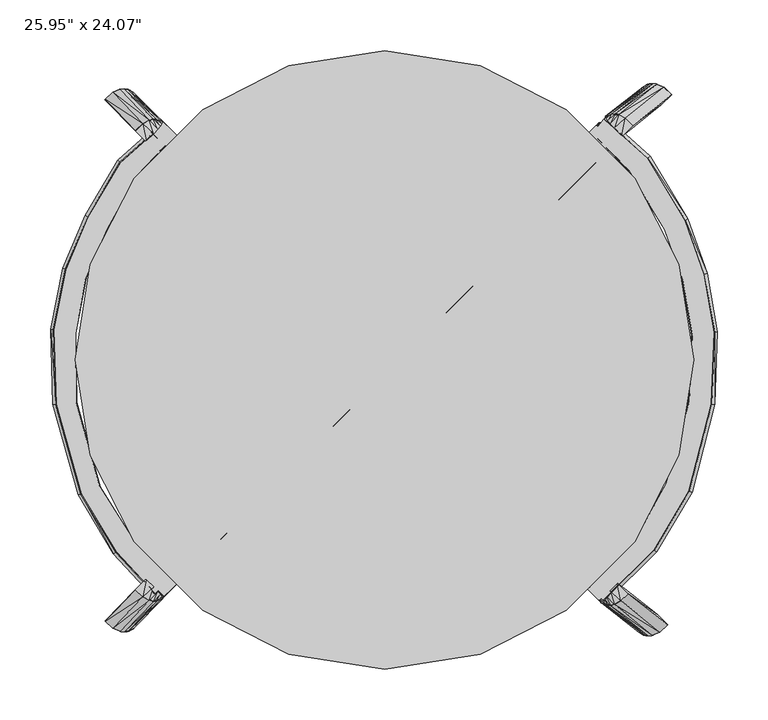
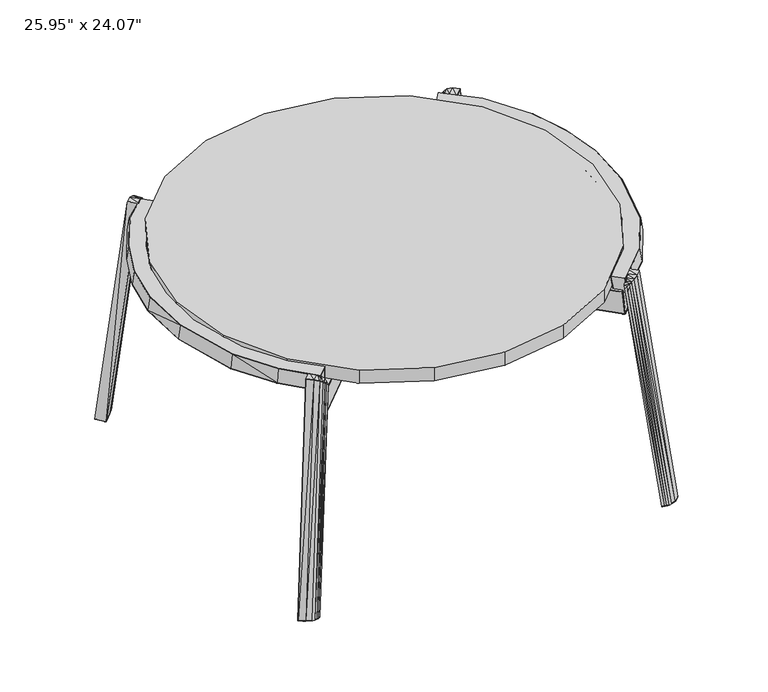
"""IFC4 building model written with IfcOpenShell, lengths in millimetres: furniture geometry."""

from ifc_helpers import new_model, si_unit, origin, place, context, project, spatial, triangles, source, transform, mapped, element, save


def furniture_7b2e3a2e(model_context):
    return source(origin(), model_context, "Body", "Tessellation", [
        triangles([(291.3042031, 94.4699241, 330.1011809), (291.3042031, 94.4699241, 330.7304303), (306.2667709, -6.95e-05, 330.7304303), (306.2667709, -6.95e-05, 330.1011809), (247.881145, 179.6925201, 330.1011809), (247.881145, 179.6925201, 330.7304303), (180.2481003, 247.325583, 330.1011809), (180.2481003, 247.325583, 330.7304303), (95.0255043, 290.7487138, 330.1011809), (95.0255043, 290.7487138, 330.7304303), (0.5555148, 305.7112816, 330.1011809), (0.5555148, 305.7112816, 330.7304303), (-93.9144711, 290.7487501, 330.1011809), (-93.9144711, 290.7487501, 330.7304303), (-179.1370671, 247.3256739, 330.1011809), (-179.1370671, 247.3256739, 330.7304303), (-246.7701482, 179.692611, 330.1011809), (-246.7701482, 179.692611, 330.7304303), (-290.1932971, 94.4699695, 330.1011809), (-290.1932971, 94.4699695, 330.7304303), (-305.1558286, -4.25e-05, 330.1011809), (-305.1558286, -4.25e-05, 330.7304303), (-290.1932608, -94.4700694, 330.1011809), (-290.1932608, -94.4700694, 330.7304303), (-246.7700755, -179.6926655, 330.1011809), (-246.7700755, -179.6927018, 330.7304303), (-179.1369945, -247.3257102, 330.1011809), (-179.1369945, -247.3257102, 330.7304303), (-93.9143257, -290.7487138, 330.1011809), (-93.9143257, -290.7487138, 330.7304303), (0.5556964, -305.7112816, 330.1011809), (0.5556964, -305.7112816, 330.7304303), (95.0257132, -290.7486229, 330.1011809), (95.0257132, -290.7486229, 330.7304303), (180.2483183, -247.325474, 330.1011809), (180.2483183, -247.325474, 330.7304303), (247.8812722, -179.6923203, 330.1011809), (247.8812722, -179.6923203, 330.7304303), (291.304294, -94.4696334, 330.1011809), (291.304294, -94.4696334, 330.7304303), (291.3042031, 94.4699241, 350.3370461), (306.2667709, -6.95e-05, 350.3370461), (306.2667709, -6.95e-05, 349.5231059), (291.3041668, 94.4699241, 349.5231059), (247.881145, 179.6925201, 350.3370461), (247.881145, 179.6925201, 349.5231059), (180.2481003, 247.325583, 350.3370461), (180.2481003, 247.325583, 349.5231059), (95.0255043, 290.7487138, 350.3370461), (95.0255043, 290.7486774, 349.5231059), (0.5555148, 305.7112816, 350.3370461), (0.5555148, 305.7113179, 349.5231059), (-93.9144711, 290.7487501, 350.3370461), (-93.9144711, 290.7487501, 349.5231059), (-179.1370671, 247.3256739, 350.3370461), (-179.1370671, 247.3256739, 349.5231059), (-246.7701482, 179.692611, 350.3370461), (-246.7701482, 179.692611, 349.5231059), (-290.1932971, 94.4699695, 350.3370461), (-290.1932971, 94.4699695, 349.5231059), (-305.1558286, -4.25e-05, 350.3370461), (-305.1558649, -4.25e-05, 349.5231059), (-290.1932608, -94.4700694, 350.3370461), (-290.1932608, -94.4700694, 349.5231059), (-246.7700755, -179.6926655, 350.3370461), (-246.7700755, -179.6926655, 349.5231059), (-179.1369945, -247.3257102, 350.3370461), (-179.1369945, -247.3257102, 349.5231059), (-93.9143257, -290.7487138, 350.3370461), (-93.9143257, -290.7487138, 349.5231059), (0.5556964, -305.7112816, 350.3370461), (0.5556964, -305.7112816, 349.5231059), (95.0257132, -290.7486229, 350.3370461), (95.0257132, -290.7486229, 349.5231059), (180.2483183, -247.325474, 350.3370461), (180.2483183, -247.325474, 349.5231059), (247.8812722, -179.6923203, 350.3370461), (247.8812722, -179.6923203, 349.5231059), (291.304294, -94.4696334, 350.3370461), (291.304294, -94.4696334, 349.5231059), (0.5555674, 1.11e-05, 350.3370461), (0.5462188, -0.006782, 330.1011809)], [[1, 2, 3], [3, 4, 1], [5, 6, 2], [2, 1, 5], [7, 8, 6], [6, 5, 7], [9, 10, 8], [8, 7, 9], [11, 12, 10], [10, 9, 11], [13, 14, 12], [12, 11, 13], [15, 16, 14], [14, 13, 15], [17, 18, 16], [16, 15, 17], [19, 20, 18], [18, 17, 19], [21, 22, 20], [20, 19, 21], [23, 24, 22], [22, 21, 23], [25, 26, 24], [24, 23, 25], [27, 28, 26], [26, 25, 27], [29, 30, 28], [28, 27, 29], [31, 32, 30], [30, 29, 31], [33, 34, 32], [32, 31, 33], [35, 36, 34], [34, 33, 35], [37, 38, 36], [36, 35, 37], [39, 40, 38], [38, 37, 39], [4, 3, 40], [40, 39, 4], [41, 42, 43], [43, 44, 41], [45, 41, 44], [44, 46, 45], [47, 45, 46], [46, 48, 47], [49, 47, 48], [48, 50, 49], [51, 49, 50], [50, 52, 51], [53, 51, 52], [52, 54, 53], [55, 53, 54], [54, 56, 55], [57, 55, 56], [56, 58, 57], [59, 57, 58], [58, 60, 59], [61, 59, 60], [60, 62, 61], [63, 61, 62], [62, 64, 63], [65, 63, 64], [64, 66, 65], [67, 65, 66], [66, 68, 67], [69, 67, 68], [68, 70, 69], [71, 69, 70], [70, 72, 71], [73, 71, 72], [72, 74, 73], [75, 73, 74], [74, 76, 75], [77, 75, 76], [76, 78, 77], [79, 77, 78], [78, 80, 79], [42, 79, 80], [80, 43, 42], [44, 43, 3], [3, 2, 44], [46, 44, 2], [2, 6, 46], [48, 46, 6], [6, 8, 48], [50, 48, 8], [8, 10, 50], [52, 50, 10], [10, 12, 52], [54, 52, 12], [12, 14, 54], [56, 54, 14], [14, 16, 56], [58, 56, 16], [16, 18, 58], [60, 58, 18], [18, 20, 60], [62, 60, 20], [20, 22, 62], [64, 62, 22], [22, 24, 64], [66, 64, 24], [24, 26, 66], [68, 66, 26], [26, 28, 68], [70, 68, 28], [28, 30, 70], [72, 70, 30], [30, 32, 72], [74, 72, 32], [32, 34, 74], [76, 74, 34], [34, 36, 76], [78, 76, 36], [36, 38, 78], [80, 78, 38], [38, 40, 80], [43, 80, 40], [40, 3, 43], [42, 41, 81], [41, 45, 81], [45, 47, 81], [47, 49, 81], [49, 51, 81], [51, 53, 81], [53, 55, 81], [55, 57, 81], [57, 59, 81], [59, 61, 81], [61, 63, 81], [63, 65, 81], [65, 67, 81], [67, 69, 81], [69, 71, 81], [71, 73, 81], [73, 75, 81], [75, 77, 81], [77, 79, 81], [79, 42, 81], [1, 4, 82], [5, 1, 82], [7, 5, 82], [9, 7, 82], [11, 9, 82], [13, 11, 82], [15, 13, 82], [17, 15, 82], [19, 17, 82], [21, 19, 82], [23, 21, 82], [25, 23, 82], [27, 25, 82], [29, 27, 82], [31, 29, 82], [33, 31, 82], [35, 33, 82], [37, 35, 82], [39, 37, 82], [4, 39, 82]]),
        triangles([(-265.3247387, -247.72614, 0.3430635), (-264.8726769, -248.1750588, 0.3776246), (-275.2968953, -258.2890672, 1.774811), (-275.768251, -257.8379864, 1.7467042), (-268.0666499, -265.2074312, 2.2056736), (-257.9390704, -255.0604307, 0.9075777), (-253.3031433, -259.6675077, 1.2619172), (-260.811951, -268.164064, 2.4005436), (-250.8405393, -261.8978949, 1.4501497), (-256.7489177, -268.6318225, 2.2790832), (-248.5030366, -264.2812705, 1.6287997), (-253.4677408, -268.3594554, 2.1846317), (-247.405193, -265.4645376, 1.7127231), (-251.1180296, -267.4656146, 2.0432589), (-275.7516822, -257.7649894, 2.4758609), (-265.3083153, -247.6526161, 1.0768435), (-275.2803811, -258.2160157, 2.5039677), (-264.8562172, -248.1015713, 1.1114046), (-257.9219384, -254.9878334, 1.641495), (-253.2867199, -259.5946561, 1.9898377), (-260.7979438, -268.0917028, 3.1265417), (-268.0509168, -265.1338529, 2.9351962), (-250.8240068, -261.8266056, 2.1712496), (-256.7343656, -268.5602607, 3.0003364), (-248.4876306, -264.210072, 2.3411867), (-253.4531887, -268.2882025, 2.9007419), (-247.3893691, -265.3952468, 2.415955), (-251.1013155, -267.394725, 2.7532201), (-234.7977685, -217.201041, 347.6440418), (-245.2112862, -227.5018294, 347.8890487), (-238.2965375, -234.2005302, 347.9334864), (-227.5415435, -224.4486364, 347.6781604), (-231.8663341, -237.6803324, 346.1513277), (-223.4074209, -228.9526674, 345.1838722), (-227.7484895, -238.4638965, 343.7152845), (-221.0787476, -231.8536531, 342.3046875), (-224.6587798, -238.3277311, 341.2100959), (-219.5022813, -234.270893, 338.6908456), (-221.6128175, -237.614021, 338.2392743), (-218.5327548, -236.2362526, 334.8251658), (-245.6621308, -227.065101, 347.8861055), (-235.2708864, -216.7284863, 347.6418254), (-235.3318202, -216.7904556, 347.0260563), (-245.7228829, -227.1266161, 347.2742243), (-245.272002, -227.563399, 347.2770947), (-238.3566356, -234.2625177, 347.3212418), (-234.8587749, -217.2629921, 347.0282364), (-227.6031313, -224.5098245, 347.0623549), (-223.4679368, -229.0140554, 344.5730447), (-231.9247607, -237.7412843, 345.5420262), (-221.1390092, -231.9137876, 341.6995646), (-227.8070978, -238.5242489, 343.1099799), (-219.5609987, -234.3309002, 338.0929896), (-224.7170248, -238.387811, 340.6090061), (-218.5912359, -236.2947701, 334.2350856), (-221.6724977, -237.6736831, 337.6435258), (-275.5113808, 257.5063751, 1.7496807), (-265.0872169, 247.3923486, 0.3525034), (-265.5392605, 246.9435024, 0.3179418), (-275.9828273, 257.055258, 1.7215844), (-268.2811898, 264.4247028, 2.1805777), (-261.0264728, 267.3812448, 2.3754425), (-253.5176288, 258.8847249, 1.2368184), (-258.153683, 254.2776841, 0.8824583), (-256.963494, 267.8489669, 2.2539752), (-251.0551882, 261.1150756, 1.4250196), (-253.6822626, 267.5766907, 2.1595144), (-248.7175402, 263.4984331, 1.6036994), (-251.3326059, 266.6828862, 2.0181415), (-247.6197511, 264.6817911, 1.6876066), (-265.5228734, 246.8698332, 1.0517285), (-275.9662585, 256.9823337, 2.4507455), (-275.4949028, 257.4331783, 2.4788696), (-258.1364602, 254.2050505, 1.6164016), (-265.0707026, 247.3188066, 1.0862762), (-253.5012962, 258.811855, 1.9647349), (-268.2654568, 264.3511063, 2.9100919), (-261.0125565, 267.3090471, 3.10142), (-251.0385468, 261.0437864, 2.1461169), (-256.9488873, 267.7774052, 2.9752133), (-248.7021887, 263.4273255, 2.3160958), (-253.6677649, 267.5055831, 2.8756316), (-247.6039091, 264.6124276, 2.3908498), (-251.3158918, 266.6120148, 2.7281192), (-238.5120767, 233.4176202, 347.933559), (-245.4268254, 226.7190102, 347.8890487), (-235.013344, 216.4182218, 347.6440418), (-227.757119, 223.6658172, 347.6781967), (-223.6229055, 228.1697755, 345.1838722), (-232.0818732, 236.8974223, 346.151364), (-221.2942868, 231.0707976, 342.3047238), (-227.964065, 237.6810772, 343.7153209), (-219.7178205, 233.4880011, 338.6908456), (-224.8742645, 237.5449119, 341.2100232), (-218.7482758, 235.4534153, 334.8252022), (-221.8283385, 236.8311655, 338.239347), (-235.5473412, 216.0076909, 347.02602), (-235.4863893, 215.9456489, 347.6417891), (-245.8775973, 226.2821364, 347.8861055), (-245.9384402, 226.3437969, 347.274297), (-245.4875412, 226.7805253, 347.2770947), (-238.5721566, 233.4796985, 347.3213144), (-235.0743141, 216.4801184, 347.0282727), (-227.8186705, 223.7270416, 347.0623913), (-223.6834396, 228.2312362, 344.5730083), (-232.1402817, 236.9584288, 345.5420262), (-221.3545847, 231.1309502, 341.6995646), (-228.0226552, 237.7413933, 343.1099799), (-219.7765197, 233.5480628, 338.0929896), (-224.9325276, 237.6049554, 340.6090061), (-218.8068114, 235.5118783, 334.2350856), (-221.8880732, 236.8908638, 337.6435985), (279.8558104, -262.2208221, 1.701401), (269.4705794, -252.1067592, 0.0398408), (269.9235133, -251.6578949, 0.0167848), (280.3278019, -261.7697777, 1.6852877), (272.6170444, -269.139168, 1.9484713), (265.3597838, -272.0958371, 1.9589541), (257.8822969, -263.5992445, 0.6299134), (262.5257453, -258.9920766, 0.3934785), (261.301129, -272.5636137, 1.7342836), (255.4158232, -265.8296498, 0.7555086), (258.0233494, -272.2911558, 1.5565035), (253.0745054, -268.213098, 0.8747255), (255.6780892, -271.397315, 1.3554994), (251.9749177, -269.3963107, 0.9307253), (269.8882138, -251.5843165, 0.7499085), (280.292775, -261.6967807, 2.4138033), (279.8208561, -262.1478069, 2.4299318), (262.489919, -258.9195883, 1.1267244), (269.4354617, -252.0332354, 0.7729799), (257.8473427, -263.5263202, 1.3572238), (272.582944, -269.0655533, 2.6773228), (265.3273004, -272.0235304, 2.6843417), (255.3809053, -265.7583424, 1.4759675), (261.2682821, -272.4920883, 2.4549411), (253.0409318, -268.1417725, 1.5865023), (257.9906661, -272.2199574, 2.2720186), (251.9410898, -269.3269472, 1.6333467), (255.6433711, -271.3265345, 2.0648195), (234.2104679, -238.1321943, 347.933559), (241.1251439, -231.4335843, 347.8890487), (230.711717, -221.1327777, 347.6440782), (223.4554376, -228.3803913, 347.6781967), (219.3213149, -232.8843678, 345.1839449), (227.7801918, -241.6119783, 346.151364), (216.9926598, -235.7854081, 342.3047238), (223.6624925, -242.3955969, 343.7153572), (215.4162117, -238.202557, 338.6909183), (220.5726557, -242.2593952, 341.2100959), (214.4466306, -240.1680257, 334.8252022), (217.5267115, -241.5457214, 338.239347), (231.2457142, -220.722156, 347.0260926), (231.1847078, -220.6602775, 347.6418254), (241.5760793, -230.9967105, 347.8861055), (241.6367224, -231.0582802, 347.2743333), (241.1858778, -231.4950631, 347.2771311), (234.2705659, -238.1942182, 347.3213144), (230.7726508, -221.1946744, 347.0282727), (223.5171344, -228.4416158, 347.0623913), (219.3819217, -232.9458103, 344.5730447), (227.8386911, -241.6730029, 345.5420262), (217.0529396, -235.8455243, 341.6995646), (223.7210282, -242.4560401, 343.1099799), (215.4749654, -238.2626369, 338.093026), (220.6308643, -242.3195114, 340.6090788), (214.5051118, -240.2264706, 334.2351219), (217.5863917, -241.605438, 337.6436348), (274.099403, 252.1264891, 0.0), (273.6465418, 252.5754624, 0.0230562), (284.0318999, 262.6893436, 1.6846316), (284.5039641, 262.2382992, 1.6685335), (276.7930068, 269.6078167, 1.931717), (266.7019439, 259.4607253, 0.3766938), (262.0584047, 264.0678932, 0.613144), (269.5356917, 272.5643586, 1.9422), (259.5917311, 266.2982258, 0.7387545), (265.4770914, 273.0322443, 1.7175447), (257.2505404, 268.6815469, 0.8579866), (262.1993663, 272.7597864, 1.5397492), (256.1508074, 269.8647596, 0.913971), (259.8540516, 271.8658729, 1.33873), (284.4687919, 262.1653022, 2.3970188), (274.0642489, 252.0530016, 0.7331545), (283.9970002, 262.616492, 2.413147), (273.6112424, 252.5019567, 0.7562105), (266.6659359, 259.3882007, 1.109955), (262.0234868, 263.9950234, 1.340439), (269.5033536, 272.4921973, 2.6675876), (276.7588155, 269.534202, 2.6605687), (259.556795, 266.2270638, 1.4592133), (265.4442445, 272.9607189, 2.438202), (257.2169669, 268.6103848, 1.5697635), (262.1669191, 272.6885153, 2.2552647), (256.1169796, 269.7955596, 1.6165926), (259.8192608, 271.7951832, 2.0480654), (234.8880791, 221.6013175, 347.6440055), (245.3015423, 231.9020695, 347.8890123), (238.3869571, 238.6007522, 347.9334864), (227.6318542, 228.8490037, 347.6781604), (231.9566083, 242.0805543, 346.151364), (223.497786, 233.3529076, 345.1838359), (227.8388183, 242.8642274, 343.7153209), (221.1690582, 236.2539841, 342.3045785), (224.7491268, 242.7279531, 341.2100232), (219.5925738, 238.6712239, 338.6908092), (221.7031463, 242.014243, 338.2393106), (218.623029, 240.6365654, 334.8251295), (245.7524777, 231.4654138, 347.8861055), (235.361197, 221.1287809, 347.6417527), (235.42204, 221.1908774, 347.02602), (245.8130482, 231.5269289, 347.2741879), (245.3622763, 231.9637118, 347.2771311), (238.4468917, 238.662885, 347.3212781), (234.9491764, 221.6633049, 347.0282364), (227.6935328, 228.9100646, 347.0622459), (223.5583019, 233.4144045, 344.5730447), (232.015144, 242.1416516, 345.5419536), (221.2294106, 236.3140459, 341.6994555), (227.8973721, 242.9245799, 343.1099799), (219.6513638, 238.7312493, 338.0929896), (224.8073899, 242.7880693, 340.6090061), (218.6816192, 240.6949921, 334.2350129), (221.7628083, 242.0740867, 337.6434895), (-238.734574, 219.5836172, 294.2369638), (-238.0697345, 220.2533256, 294.2369638), (215.8110096, -239.4114585, 294.2369275), (215.1373225, -240.0989711, 294.236982), (213.0436821, -237.0765357, 329.3368017), (-235.7682761, 217.6963233, 329.3366927), (-236.436622, 217.0194569, 329.3366927), (212.3699224, -237.764139, 329.3368017), (216.0593047, -239.9977236, 295.2504375), (216.6951671, -239.3487807, 295.2504375), (216.5528429, -239.228748, 296.5199095), (215.9169442, -239.8777092, 296.5199095), (-220.6319362, 237.8196044, 294.2369275), (-220.4977693, 237.6868545, 295.6199281), (233.327037, -221.2470695, 295.6200916), (233.4820785, -221.3778573, 294.2369275), (-222.8807815, 236.3989789, 295.2524178), (-222.7581691, 236.2764391, 296.5216899), (-221.4480383, 237.5964349, 296.5216899), (-221.5711231, 237.7181208, 295.2524178), (214.9823537, -239.9682196, 295.6200916), (-238.6058209, 219.4399123, 295.6200007), (233.3741272, -222.3276721, 295.2504375), (232.0459561, -223.6832216, 295.2504375), (232.0748787, -222.8140705, 294.2369275), (213.5190528, -237.8546495, 328.3233461), (214.1549515, -237.2057065, 328.3233461), (233.231912, -222.2076213, 296.5199095), (212.5146628, -237.8862609, 328.0456378), (213.651839, -237.9667611, 327.1380624), (-238.6436093, 220.5224407, 295.2529447), (-238.0166127, 221.1539065, 295.2529265), (-219.3749635, 235.5452338, 328.3212024), (-220.6911804, 234.2121393, 328.3212024), (-219.6332326, 234.0356784, 329.3366564), (-218.2370424, 235.4496001, 329.3366564), (-238.5253571, 220.3904175, 296.5221986), (230.8338753, -220.1846161, 328.3233461), (229.505577, -221.5401657, 328.3233461), (229.6384359, -221.6521864, 327.1380624), (230.9666797, -220.2966733, 327.1380624), (230.7148237, -219.0428435, 329.3367654), (230.8595459, -219.1650199, 328.0455651), (-218.3623073, 235.5735387, 328.0455651), (-236.6431682, 218.2905457, 327.1358096), (-236.5328007, 218.1674428, 328.32073), (-235.9026429, 218.8055579, 328.3206937), (-236.0132285, 218.9283883, 327.1358459), (-236.5568544, 217.1534966, 328.0455651), (-219.4897821, 235.6588715, 327.1362456), (-222.0206778, 236.4206164, 294.2369275), (229.3074968, -220.4790022, 329.3367654), (231.9036683, -223.5632435, 296.5199095), (-237.8982333, 221.0223557, 296.5221622), (214.287665, -237.3177818, 327.1380624), (-220.8056901, 234.3265037, 327.136173), (212.5933644, 234.308645, 294.236982), (213.2630546, 233.6439327, 294.236982), (-237.4625404, -218.6261539, 294.2368911), (-238.150053, -217.9524486, 294.2368911), (-235.1276721, -215.8588991, 329.3366564), (210.7060159, 231.3423653, 329.3366927), (210.029095, 232.0108202, 329.3366927), (-235.8152573, -215.1851575, 329.3366564), (-238.0488419, -218.8744308, 295.250383), (-237.3999534, -219.5103659, 295.250383), (-237.2798481, -219.3680235, 296.5198368), (-237.928791, -218.7321249, 296.5198368), (230.8293879, 216.2060799, 294.2369638), (230.6966017, 216.0719493, 295.6199281), (-219.2981877, -236.1421813, 295.6199099), (-219.4289573, -236.2972409, 294.2368911), (229.4086716, 218.4549979, 295.252436), (229.2862045, 218.3323128, 296.5217262), (230.6061275, 217.0222183, 296.5217262), (230.7278498, 217.1452849, 295.252436), (-238.0192652, -217.7974072, 295.6199099), (212.4496777, 234.1800191, 295.6199281), (-220.378754, -236.1893442, 295.2503649), (-221.7343035, -234.8610641, 295.2503649), (-220.8651342, -234.8899322, 294.2368911), (-235.9057677, -216.3342153, 328.3232371), (-235.2568429, -216.9701321, 328.3232371), (-220.2587395, -236.0470382, 296.5198368), (-235.9373247, -215.3298616, 328.0455288), (-236.0178248, -216.4670378, 327.138026), (213.5321152, 234.217753, 295.2529265), (214.1636537, 233.5907019, 295.2529265), (228.5549809, 214.9490527, 328.3212024), (227.2218683, 216.2653605, 328.321166), (227.0454437, 215.2072855, 329.3366927), (228.4592746, 213.8112406, 329.3366927), (213.4001829, 234.0996461, 296.5221622), (-218.2357162, -233.6491467, 328.3232371), (-219.5912294, -232.3208303, 328.3232371), (-219.7032865, -232.4536529, 327.138026), (-218.3477551, -233.7819511, 327.138026), (-217.0939981, -233.5300588, 329.3366564), (-217.2161018, -233.6747811, 328.0455288), (228.5832314, 213.9364328, 328.0454925), (211.3002747, 232.2172756, 327.1358096), (211.1770446, 232.1069444, 328.3206937), (211.8152142, 231.4768229, 328.3206937), (211.9380991, 231.5874267, 327.1358096), (210.1632802, 232.1310163, 328.0454925), (228.6685278, 215.0639076, 327.1362093), (229.4303817, 217.5947851, 294.2369638), (-218.530175, -232.1227319, 329.3366564), (-221.6142527, -234.7187581, 296.5198368), (214.032121, 233.4723952, 296.5221622), (-235.3688637, -217.1029547, 327.138026), (227.3362508, 216.3798338, 327.136173), (219.8919559, 239.8243149, 326.5360642), (209.3325896, 225.8460438, 326.5359552), (208.8857237, 226.3066988, 326.5359552), (219.3451143, 240.316436, 326.5360642), (217.6238168, 237.3555157, 348.1465911), (206.9737583, 223.7378513, 348.1465548), (241.6962755, 187.2588824, 348.1465548), (260.2448708, 199.0464623, 348.1465911), (208.9377736, 225.4667792, 327.4008734), (206.7635967, 223.5316139, 347.2817093), (206.3215815, 223.9956481, 347.2815276), (208.4914527, 225.9270709, 327.4010187), (217.6024881, 238.4992322, 347.4178202), (218.1475312, 238.0090187, 347.4178202), (220.1071863, 240.0315878, 327.4038892), (219.5600358, 240.5241632, 327.4038892), (262.8282523, 201.1789448, 326.5360642), (299.9848143, 139.3824806, 326.5359916), (280.7603155, 130.7163853, 326.5359552), (244.4212363, 189.6770669, 326.5359916), (277.6567077, 128.8081079, 348.1465548), (297.0817393, 137.7054754, 348.1465548), (243.9796572, 189.3253442, 327.3883378), (280.2644155, 130.4466979, 327.3883741), (277.4066321, 128.6872668, 347.2941359), (241.4709985, 187.096465, 347.2941359), (260.9434473, 199.5084799, 347.4178202), (297.838688, 138.0646832, 347.4177838), (300.253566, 139.5139951, 327.4038528), (263.0699527, 201.3549879, 327.4038892), (319.1112267, 85.4171609, 326.5359916), (307.312819, 83.7065912, 326.5359916), (295.2339051, 78.7946091, 348.1465911), (315.961528, 84.2673491, 348.1465548), (298.0864381, 79.955403, 327.3884831), (294.9666976, 78.7190505, 347.2941359), (316.7688189, 84.4919266, 347.4177838), (319.3987092, 85.4998048, 327.4038528), (329.262206, 27.8069237, 326.5360279), (308.1403848, 25.7947827, 326.5360279), (304.5714529, 25.0630936, 348.1465911), (325.961717, 27.2094515, 348.1465911), (307.582243, 25.7109511, 327.3884831), (304.2950345, 25.0350498, 347.2941359), (326.7946604, 27.3024691, 347.4178202), (329.5597532, 27.8384193, 327.4039618), (326.5516156, -43.9580318, 326.5360642), (305.32693, -41.3364894, 326.5359916), (301.6851465, -41.437319, 348.1466274), (323.200621, -43.9428892, 348.1466274), (304.762684, -41.3220871, 327.3884468), (301.408074, -41.4169169, 347.2941359), (324.0341457, -44.0262962, 347.4178565), (326.8502166, -43.978661, 327.4039618), (304.1960034, -130.5876777, 326.5359552), (282.6221568, -123.4584344, 326.5359552), (279.0783324, -122.6132916, 348.1465184), (300.9472737, -129.7489662, 348.1465184), (282.0808926, -123.2985514, 327.3884468), (278.8159937, -122.5219636, 347.2940995), (301.74648, -130.0020939, 347.4177838), (304.4789077, -130.6847012, 327.4038892), (269.3021849, -189.3176775, 326.5360279), (252.935851, -176.4413196, 326.5359916), (249.7314682, -174.7078498, 348.1465548), (266.4159149, -187.6178721, 348.1465548), (252.4545578, -176.1466792, 327.3884468), (249.5018128, -174.5515912, 347.2941359), (267.0876035, -188.1180051, 347.4177838), (269.5503892, -189.4847095, 327.4038892), (219.7098813, -239.0294869, 326.5361006), (206.4256086, -226.4566534, 326.5360279), (203.7711921, -223.9640548, 348.1465911), (217.267316, -236.7286281, 348.1465911), (206.035607, -226.0491019, 327.3884831), (203.5889176, -223.7545654, 347.2941359), (217.8757999, -237.3053916, 347.4178928), (219.9072348, -239.2541825, 327.4039618), (-218.7585041, 214.0311218, 326.5361006), (-219.4081919, 213.3678266, 326.5360642), (-231.5022574, 225.1181086, 326.5361369), (-230.7655292, 225.7788059, 326.5361369), (-244.4241431, 182.6330928, 348.1466638), (-217.0455817, 211.2563457, 348.1466638), (-229.1511292, 222.7243957, 348.1466638), (-260.4068521, 194.7285573, 348.1466638), (-216.1943255, 211.7199802, 347.2816003), (-216.8352203, 211.0505625, 347.281891), (-219.0129398, 212.9888708, 327.400837), (-218.3642512, 213.6514575, 327.4011277), (-231.7177421, 225.3251454, 327.4039982), (-229.7564701, 223.3042658, 347.4179292), (-229.0230483, 223.961584, 347.4179292), (-230.9804506, 225.9865512, 327.4039982), (-262.955661, 196.9103282, 326.5361369), (-247.149104, 185.0512774, 326.5361006), (-277.3606138, 131.0073105, 326.5359916), (-295.1564753, 142.7689836, 326.5360279), (-292.3079209, 140.9933834, 348.1465548), (-274.2572059, 129.099133, 348.1465548), (-246.7076157, 184.6997363, 327.3885195), (-244.198848, 182.4706573, 347.2942085), (-274.0070576, 128.9783373, 347.2941359), (-276.8648229, 130.7376958, 327.3884468), (-261.0711103, 195.2398996, 347.4179292), (-263.1975975, 197.0864802, 327.4040345), (-295.4252997, 142.9004345, 327.4038892), (-293.010349, 141.4510589, 347.4178202), (-298.145537, 82.7541421, 326.5359916), (-317.3255073, 90.4174734, 326.5361006), (-314.2040771, 89.1826469, 348.1465548), (-294.7579349, 81.4138623, 348.1465548), (-294.490582, 81.3382129, 347.2941359), (-297.6103407, 82.574729, 327.3884468), (-317.6129897, 90.500299, 327.4038892), (-314.983172, 89.4923663, 347.4178202), (-308.3786333, 26.8661744, 326.5359916), (-329.262315, 30.307005, 326.5360279), (-325.96833, 29.6619522, 348.1465548), (-304.8096651, 26.1344808, 348.1465548), (-304.5333375, 26.1064665, 347.2941359), (-307.8204188, 26.7824314, 327.3884468), (-329.5597896, 30.3385574, 327.4038892), (-326.7949147, 29.8025186, 347.4178202), (-307.8272498, -42.0509443, 326.5359916), (-326.9088976, -44.0772196, 326.5360279), (-323.5565223, -44.074549, 348.1465548), (-304.1854845, -42.1517739, 348.1465548), (-303.9084665, -42.1314036, 347.2941359), (-307.2629674, -42.0365148, 327.3884468), (-327.2073895, -44.0977716, 327.4038892), (-324.391355, -44.1454885, 347.4178202), (-284.4518779, -126.4892178, 326.5359552), (-301.9628185, -133.2069946, 326.5359552), (-298.7250438, -132.3376617, 348.1465184), (-280.9081444, -125.6440841, 348.1465184), (-280.6458239, -125.5527107, 347.2940995), (-283.9105774, -126.3292712, 327.3883741), (-302.2458318, -133.3040635, 327.4038892), (-299.5134223, -132.6213472, 347.4177838), (-250.1835481, -181.1029537, 326.5359552), (-267.1437047, -191.2804211, 326.5359552), (-264.2077829, -189.6538671, 348.1465184), (-246.9793287, -179.3695021, 348.1465184), (-246.7495462, -179.2133343, 347.2940995), (-249.7020731, -180.8083132, 327.3883741), (-267.3919272, -191.4474349, 327.4038892), (-264.9293595, -190.0808577, 347.4177838), (-214.2841587, -216.9292734, 326.5359552), (-229.7150119, -231.8417898, 326.5359552), (-227.2725556, -229.5432019, 348.1465184), (-211.6228204, -214.4461401, 348.1465184), (-211.4400373, -214.2373411, 347.2940995), (-213.8928854, -216.5231936, 327.3883741), (-229.9129286, -232.0657768, 327.4038892), (-227.8762433, -230.1242166, 347.4177838), (-228.4190881, 223.380097, 348.1466638), (217.2834306, -237.9373479, 347.4178928), (216.6759277, -237.3594581, 348.1465911), (217.080972, 237.8433493, 348.1465911), (206.5315433, 224.202376, 348.1465548), (219.1118618, -239.6692553, 326.5361006), (219.3084887, -239.8947684, 327.4039618), (203.2270211, -224.5970467, 348.1465911), (203.0455097, -224.3867397, 347.2941359), (205.484605, -226.6916499, 327.3884831), (205.8733167, -227.1009273, 326.5360279), (-226.8774126, -231.3420565, 347.4177838), (-228.9023616, -233.2995133, 327.4038892), (-228.7058257, -233.0739275, 326.5359552), (-226.2769768, -230.7568088, 348.1465184), (-210.6708073, -215.5269244, 348.1465184), (-213.3171574, -218.0307323, 326.5359552), (-212.9283912, -217.6215822, 327.3883741), (-210.489314, -215.316672, 347.2940995), (-216.4043236, 211.9267445, 348.1466638)], [[1, 2, 3], [3, 4, 1], [5, 6, 7], [7, 8, 5], [8, 7, 9], [9, 10, 8], [10, 9, 11], [11, 12, 10], [12, 11, 13], [13, 14, 12], [4, 15, 16], [16, 1, 4], [4, 3, 17], [17, 15, 4], [2, 18, 19], [19, 6, 2], [6, 19, 20], [20, 7, 6], [8, 21, 22], [22, 5, 8], [7, 20, 23], [23, 9, 7], [8, 10, 24], [24, 21, 8], [9, 23, 25], [25, 11, 9], [12, 26, 24], [24, 10, 12], [11, 25, 27], [27, 13, 11], [14, 28, 26], [26, 12, 14], [13, 27, 28], [28, 14, 13], [29, 30, 31], [31, 32, 29], [33, 34, 32], [32, 31, 33], [35, 36, 34], [34, 33, 35], [37, 38, 36], [36, 35, 37], [38, 37, 39], [39, 40, 38], [41, 42, 43], [43, 44, 41], [31, 30, 45], [45, 46, 31], [42, 29, 47], [47, 43, 42], [48, 32, 34], [34, 49, 48], [33, 31, 46], [46, 50, 33], [49, 34, 36], [36, 51, 49], [35, 33, 50], [50, 52, 35], [51, 36, 38], [38, 53, 51], [37, 35, 52], [52, 54, 37], [53, 38, 40], [40, 55, 53], [39, 37, 54], [54, 56, 39], [40, 39, 56], [56, 55, 40], [44, 43, 16], [16, 15, 44], [46, 45, 17], [17, 22, 46], [43, 47, 18], [18, 16, 43], [19, 48, 49], [49, 20, 19], [50, 46, 22], [22, 21, 50], [20, 49, 51], [51, 23, 20], [52, 50, 21], [21, 24, 52], [23, 51, 53], [53, 25, 23], [54, 52, 24], [24, 26, 54], [25, 53, 55], [55, 27, 25], [56, 54, 26], [26, 28, 56], [55, 56, 28], [28, 27, 55], [2, 6, 5], [5, 3, 2], [5, 22, 17], [17, 3, 5], [1, 16, 18], [18, 2, 1], [42, 41, 30], [30, 29, 42], [41, 44, 45], [45, 30, 41], [32, 48, 47], [47, 29, 32], [44, 15, 17], [17, 45, 44], [48, 19, 18], [18, 47, 48], [57, 58, 59], [59, 60, 57], [61, 62, 63], [63, 64, 61], [62, 65, 66], [66, 63, 62], [65, 67, 68], [68, 66, 65], [67, 69, 70], [70, 68, 67], [71, 72, 60], [60, 59, 71], [60, 72, 73], [73, 57, 60], [74, 75, 58], [58, 64, 74], [76, 74, 64], [64, 63, 76], [77, 78, 62], [62, 61, 77], [79, 76, 63], [63, 66, 79], [62, 78, 80], [80, 65, 62], [81, 79, 66], [66, 68, 81], [80, 82, 67], [67, 65, 80], [83, 81, 68], [68, 70, 83], [82, 84, 69], [69, 67, 82], [84, 83, 70], [70, 69, 84], [85, 86, 87], [87, 88, 85], [88, 89, 90], [90, 85, 88], [89, 91, 92], [92, 90, 89], [91, 93, 94], [94, 92, 91], [93, 95, 96], [96, 94, 93], [97, 98, 99], [99, 100, 97], [101, 86, 85], [85, 102, 101], [103, 87, 98], [98, 97, 103], [104, 105, 89], [89, 88, 104], [102, 85, 90], [90, 106, 102], [105, 107, 91], [91, 89, 105], [106, 90, 92], [92, 108, 106], [107, 109, 93], [93, 91, 107], [108, 92, 94], [94, 110, 108], [109, 111, 95], [95, 93, 109], [110, 94, 96], [96, 112, 110], [112, 96, 95], [95, 111, 112], [71, 97, 100], [100, 72, 71], [73, 101, 102], [102, 77, 73], [75, 103, 97], [97, 71, 75], [74, 76, 105], [105, 104, 74], [77, 102, 106], [106, 78, 77], [76, 79, 107], [107, 105, 76], [78, 106, 108], [108, 80, 78], [79, 81, 109], [109, 107, 79], [80, 108, 110], [110, 82, 80], [81, 83, 111], [111, 109, 81], [82, 110, 112], [112, 84, 82], [84, 112, 111], [111, 83, 84], [58, 57, 61], [61, 64, 58], [73, 77, 61], [61, 57, 73], [75, 71, 59], [59, 58, 75], [86, 99, 98], [98, 87, 86], [101, 100, 99], [99, 86, 101], [103, 104, 88], [88, 87, 103], [73, 72, 100], [100, 101, 73], [75, 74, 104], [104, 103, 75], [113, 114, 115], [115, 116, 113], [117, 118, 119], [119, 120, 117], [118, 121, 122], [122, 119, 118], [121, 123, 124], [124, 122, 121], [123, 125, 126], [126, 124, 123], [127, 128, 116], [116, 115, 127], [116, 128, 129], [129, 113, 116], [130, 131, 114], [114, 120, 130], [132, 130, 120], [120, 119, 132], [133, 134, 118], [118, 117, 133], [135, 132, 119], [119, 122, 135], [118, 134, 136], [136, 121, 118], [137, 135, 122], [122, 124, 137], [136, 138, 123], [123, 121, 136], [139, 137, 124], [124, 126, 139], [138, 140, 125], [125, 123, 138], [140, 139, 126], [126, 125, 140], [141, 142, 143], [143, 144, 141], [144, 145, 146], [146, 141, 144], [145, 147, 148], [148, 146, 145], [147, 149, 150], [150, 148, 147], [149, 151, 152], [152, 150, 149], [153, 154, 155], [155, 156, 153], [157, 142, 141], [141, 158, 157], [159, 143, 154], [154, 153, 159], [160, 161, 145], [145, 144, 160], [158, 141, 146], [146, 162, 158], [161, 163, 147], [147, 145, 161], [162, 146, 148], [148, 164, 162], [163, 165, 149], [149, 147, 163], [164, 148, 150], [150, 166, 164], [165, 167, 151], [151, 149, 165], [166, 150, 152], [152, 168, 166], [168, 152, 151], [151, 167, 168], [127, 153, 156], [156, 128, 127], [129, 157, 158], [158, 133, 129], [131, 159, 153], [153, 127, 131], [130, 132, 161], [161, 160, 130], [133, 158, 162], [162, 134, 133], [132, 135, 163], [163, 161, 132], [134, 162, 164], [164, 136, 134], [135, 137, 165], [165, 163, 135], [136, 164, 166], [166, 138, 136], [137, 139, 167], [167, 165, 137], [138, 166, 168], [168, 140, 138], [140, 168, 167], [167, 139, 140], [114, 113, 117], [117, 120, 114], [129, 133, 117], [117, 113, 129], [131, 127, 115], [115, 114, 131], [142, 155, 154], [154, 143, 142], [157, 156, 155], [155, 142, 157], [159, 160, 144], [144, 143, 159], [129, 128, 156], [156, 157, 129], [131, 130, 160], [160, 159, 131], [169, 170, 171], [171, 172, 169], [173, 174, 175], [175, 176, 173], [176, 175, 177], [177, 178, 176], [178, 177, 179], [179, 180, 178], [180, 179, 181], [181, 182, 180], [172, 183, 184], [184, 169, 172], [172, 171, 185], [185, 183, 172], [170, 186, 187], [187, 174, 170], [174, 187, 188], [188, 175, 174], [176, 189, 190], [190, 173, 176], [175, 188, 191], [191, 177, 175], [176, 178, 192], [192, 189, 176], [177, 191, 193], [193, 179, 177], [180, 194, 192], [192, 178, 180], [179, 193, 195], [195, 181, 179], [182, 196, 194], [194, 180, 182], [181, 195, 196], [196, 182, 181], [197, 198, 199], [199, 200, 197], [201, 202, 200], [200, 199, 201], [203, 204, 202], [202, 201, 203], [205, 206, 204], [204, 203, 205], [206, 205, 207], [207, 208, 206], [209, 210, 211], [211, 212, 209], [199, 198, 213], [213, 214, 199], [210, 197, 215], [215, 211, 210], [216, 200, 202], [202, 217, 216], [201, 199, 214], [214, 218, 201], [217, 202, 204], [204, 219, 217], [203, 201, 218], [218, 220, 203], [219, 204, 206], [206, 221, 219], [205, 203, 220], [220, 222, 205], [221, 206, 208], [208, 223, 221], [207, 205, 222], [222, 224, 207], [208, 207, 224], [224, 223, 208], [212, 211, 184], [184, 183, 212], [214, 213, 185], [185, 190, 214], [211, 215, 186], [186, 184, 211], [187, 216, 217], [217, 188, 187], [218, 214, 190], [190, 189, 218], [188, 217, 219], [219, 191, 188], [220, 218, 189], [189, 192, 220], [191, 219, 221], [221, 193, 191], [222, 220, 192], [192, 194, 222], [193, 221, 223], [223, 195, 193], [224, 222, 194], [194, 196, 224], [223, 224, 196], [196, 195, 223], [170, 174, 173], [173, 171, 170], [173, 190, 185], [185, 171, 173], [169, 184, 186], [186, 170, 169], [210, 209, 198], [198, 197, 210], [209, 212, 213], [213, 198, 209], [200, 216, 215], [215, 197, 200], [212, 183, 185], [185, 213, 212], [216, 187, 186], [186, 215, 216], [225, 226, 227], [227, 228, 225], [229, 230, 231], [231, 232, 229], [233, 234, 235], [235, 236, 233], [237, 238, 239], [239, 240, 237], [241, 242, 243], [243, 244, 241], [228, 245, 246], [246, 225, 228], [247, 248, 249], [249, 240, 247], [250, 251, 229], [229, 232, 250], [247, 240, 239], [239, 252, 247], [250, 232, 253], [253, 254, 250], [255, 256, 226], [226, 225, 255], [257, 258, 259], [259, 260, 257], [244, 243, 238], [238, 237, 244], [255, 225, 246], [246, 261, 255], [262, 263, 264], [264, 265, 262], [260, 266, 267], [267, 268, 260], [269, 270, 271], [271, 272, 269], [232, 231, 273], [273, 253, 232], [267, 266, 262], [262, 265, 267], [245, 236, 254], [254, 253, 245], [257, 260, 268], [268, 274, 257], [273, 231, 270], [270, 269, 273], [237, 240, 249], [249, 275, 237], [266, 260, 259], [259, 276, 266], [248, 247, 252], [252, 277, 248], [256, 278, 242], [242, 241, 256], [234, 227, 249], [249, 248, 234], [262, 266, 276], [276, 263, 262], [244, 237, 275], [275, 241, 244], [271, 230, 259], [259, 258, 271], [251, 279, 264], [264, 263, 251], [257, 274, 280], [280, 258, 257], [275, 249, 227], [227, 226, 275], [276, 259, 230], [230, 229, 276], [248, 277, 235], [235, 234, 248], [263, 276, 229], [229, 251, 263], [241, 275, 226], [226, 256, 241], [258, 280, 272], [272, 271, 258], [255, 261, 278], [278, 256, 255], [233, 228, 227], [227, 234, 233], [270, 231, 230], [230, 271, 270], [251, 250, 254], [254, 279, 251], [279, 254, 236], [236, 235, 279], [268, 267, 239], [239, 238, 268], [280, 274, 243], [243, 242, 280], [253, 273, 246], [246, 245, 253], [239, 267, 265], [265, 252, 239], [274, 268, 238], [238, 243, 274], [246, 273, 269], [269, 261, 246], [245, 228, 233], [233, 236, 245], [265, 264, 277], [277, 252, 265], [278, 272, 280], [280, 242, 278], [264, 279, 235], [235, 277, 264], [269, 272, 278], [278, 261, 269], [281, 282, 283], [283, 284, 281], [285, 286, 287], [287, 288, 285], [289, 290, 291], [291, 292, 289], [293, 294, 295], [295, 296, 293], [297, 298, 299], [299, 300, 297], [284, 301, 302], [302, 281, 284], [303, 304, 305], [305, 296, 303], [306, 307, 285], [285, 288, 306], [303, 296, 295], [295, 308, 303], [306, 288, 309], [309, 310, 306], [311, 312, 282], [282, 281, 311], [313, 314, 315], [315, 316, 313], [300, 299, 294], [294, 293, 300], [311, 281, 302], [302, 317, 311], [318, 319, 320], [320, 321, 318], [316, 322, 323], [323, 324, 316], [325, 326, 327], [327, 328, 325], [288, 287, 329], [329, 309, 288], [323, 322, 318], [318, 321, 323], [301, 292, 310], [310, 309, 301], [313, 316, 324], [324, 330, 313], [329, 287, 326], [326, 325, 329], [293, 296, 305], [305, 331, 293], [322, 316, 315], [315, 332, 322], [304, 303, 308], [308, 333, 304], [312, 334, 298], [298, 297, 312], [290, 283, 305], [305, 304, 290], [318, 322, 332], [332, 319, 318], [300, 293, 331], [331, 297, 300], [327, 286, 315], [315, 314, 327], [307, 335, 320], [320, 319, 307], [313, 330, 336], [336, 314, 313], [331, 305, 283], [283, 282, 331], [332, 315, 286], [286, 285, 332], [304, 333, 291], [291, 290, 304], [319, 332, 285], [285, 307, 319], [297, 331, 282], [282, 312, 297], [314, 336, 328], [328, 327, 314], [311, 317, 334], [334, 312, 311], [289, 284, 283], [283, 290, 289], [326, 287, 286], [286, 327, 326], [307, 306, 310], [310, 335, 307], [335, 310, 292], [292, 291, 335], [324, 323, 295], [295, 294, 324], [336, 330, 299], [299, 298, 336], [309, 329, 302], [302, 301, 309], [295, 323, 321], [321, 308, 295], [330, 324, 294], [294, 299, 330], [302, 329, 325], [325, 317, 302], [301, 284, 289], [289, 292, 301], [321, 320, 333], [333, 308, 321], [334, 328, 336], [336, 298, 334], [320, 335, 291], [291, 333, 320], [325, 328, 334], [334, 317, 325], [337, 338, 339], [339, 340, 337], [341, 342, 343], [343, 344, 341], [345, 346, 347], [347, 348, 345], [349, 350, 351], [351, 352, 349], [353, 354, 355], [355, 356, 353], [343, 357, 358], [358, 344, 343], [359, 360, 361], [361, 362, 359], [363, 364, 365], [365, 366, 363], [354, 367, 368], [368, 355, 354], [357, 369, 370], [370, 358, 357], [360, 371, 372], [372, 361, 360], [364, 373, 374], [374, 365, 364], [367, 375, 376], [376, 368, 367], [369, 377, 378], [378, 370, 369], [371, 379, 380], [380, 372, 371], [373, 381, 382], [382, 374, 373], [375, 383, 384], [384, 376, 375], [377, 385, 386], [386, 378, 377], [379, 387, 388], [388, 380, 379], [381, 389, 390], [390, 382, 381], [383, 391, 392], [392, 384, 383], [385, 393, 394], [394, 386, 385], [387, 395, 396], [396, 388, 387], [389, 397, 398], [398, 390, 389], [391, 399, 400], [400, 392, 391], [393, 401, 402], [402, 394, 393], [395, 403, 404], [404, 396, 395], [397, 405, 406], [406, 398, 397], [407, 408, 400], [400, 399, 407], [401, 409, 410], [410, 402, 401], [411, 412, 404], [404, 403, 411], [405, 413, 414], [414, 406, 405], [337, 351, 366], [366, 353, 337], [338, 345, 348], [348, 339, 338], [342, 346, 362], [362, 343, 342], [366, 365, 354], [354, 353, 366], [356, 355, 360], [360, 359, 356], [362, 361, 357], [357, 343, 362], [365, 374, 367], [367, 354, 365], [355, 368, 371], [371, 360, 355], [361, 372, 369], [369, 357, 361], [374, 382, 375], [375, 367, 374], [368, 376, 379], [379, 371, 368], [372, 380, 377], [377, 369, 372], [390, 383, 375], [375, 382, 390], [384, 387, 379], [379, 376, 384], [388, 385, 377], [377, 380, 388], [390, 398, 391], [391, 383, 390], [384, 392, 395], [395, 387, 384], [388, 396, 393], [393, 385, 388], [398, 406, 399], [399, 391, 398], [392, 400, 403], [403, 395, 392], [396, 404, 401], [401, 393, 396], [414, 407, 399], [399, 406, 414], [408, 411, 403], [403, 400, 408], [412, 409, 401], [401, 404, 412], [415, 416, 417], [417, 418, 415], [419, 420, 421], [421, 422, 419], [423, 424, 425], [425, 426, 423], [427, 428, 429], [429, 430, 427], [431, 432, 433], [433, 434, 431], [419, 422, 435], [435, 436, 419], [437, 438, 439], [439, 440, 437], [441, 442, 443], [443, 444, 441], [434, 433, 445], [445, 446, 434], [436, 435, 447], [447, 448, 436], [440, 439, 449], [449, 450, 440], [444, 443, 451], [451, 452, 444], [446, 445, 453], [453, 454, 446], [448, 447, 455], [455, 456, 448], [450, 449, 457], [457, 458, 450], [452, 451, 459], [459, 460, 452], [453, 461, 462], [462, 454, 453], [455, 463, 464], [464, 456, 455], [457, 465, 466], [466, 458, 457], [459, 467, 468], [468, 460, 459], [462, 461, 469], [469, 470, 462], [464, 463, 471], [471, 472, 464], [466, 465, 473], [473, 474, 466], [468, 467, 475], [475, 476, 468], [470, 469, 477], [477, 478, 470], [472, 471, 479], [479, 480, 472], [474, 473, 481], [481, 482, 474], [476, 475, 483], [483, 484, 476], [477, 485, 486], [486, 478, 477], [480, 479, 487], [487, 488, 480], [481, 489, 490], [490, 482, 481], [483, 491, 492], [492, 484, 483], [442, 427, 417], [417, 431, 442], [415, 426, 425], [425, 416, 415], [438, 424, 420], [420, 419, 438], [442, 431, 434], [434, 443, 442], [432, 437, 440], [440, 433, 432], [438, 419, 436], [436, 439, 438], [443, 434, 446], [446, 451, 443], [433, 440, 450], [450, 445, 433], [439, 436, 448], [448, 449, 439], [451, 446, 454], [454, 459, 451], [445, 450, 458], [458, 453, 445], [449, 448, 456], [456, 457, 449], [459, 454, 462], [462, 467, 459], [453, 458, 466], [466, 461, 453], [457, 456, 464], [464, 465, 457], [467, 462, 470], [470, 475, 467], [461, 466, 474], [474, 469, 461], [465, 464, 472], [472, 473, 465], [475, 470, 478], [478, 483, 475], [469, 474, 482], [482, 477, 469], [473, 472, 480], [480, 481, 473], [478, 486, 491], [491, 483, 478], [482, 490, 485], [485, 477, 482], [480, 488, 489], [489, 481, 480], [429, 428, 421], [421, 493, 429], [422, 441, 444], [444, 435, 422], [435, 444, 452], [452, 447, 435], [447, 452, 460], [460, 455, 447], [455, 460, 468], [468, 463, 455], [463, 468, 476], [476, 471, 463], [471, 476, 484], [484, 479, 471], [484, 492, 487], [487, 479, 484], [363, 350, 341], [341, 344, 363], [358, 364, 363], [363, 344, 358], [370, 373, 364], [364, 358, 370], [378, 381, 373], [373, 370, 378], [386, 389, 381], [381, 378, 386], [394, 397, 389], [389, 386, 394], [402, 405, 397], [397, 394, 402], [494, 413, 410], [410, 495, 494], [349, 352, 340], [340, 496, 349], [497, 339, 348], [348, 347, 497], [496, 340, 339], [339, 497, 496], [337, 353, 356], [356, 338, 337], [341, 496, 497], [497, 342, 341], [359, 362, 346], [346, 345, 359], [363, 366, 351], [351, 350, 363], [337, 340, 352], [352, 351, 337], [356, 359, 345], [345, 338, 356], [497, 347, 346], [346, 342, 497], [350, 349, 496], [496, 341, 350], [495, 498, 499], [499, 494, 495], [500, 501, 502], [502, 503, 500], [495, 500, 503], [503, 498, 495], [498, 503, 408], [408, 407, 498], [500, 495, 410], [410, 409, 500], [502, 501, 412], [412, 411, 502], [494, 499, 414], [414, 413, 494], [414, 499, 498], [498, 407, 414], [408, 503, 502], [502, 411, 408], [501, 500, 409], [409, 412, 501], [405, 402, 410], [410, 413, 405], [504, 505, 506], [506, 507, 504], [508, 509, 510], [510, 511, 508], [507, 506, 509], [509, 508, 507], [509, 506, 486], [486, 485, 509], [487, 507, 508], [508, 488, 487], [511, 510, 490], [490, 489, 511], [505, 504, 492], [492, 491, 505], [506, 505, 491], [491, 486, 506], [510, 509, 485], [485, 490, 510], [488, 508, 511], [511, 489, 488], [492, 504, 507], [507, 487, 492], [512, 423, 426], [426, 415, 512], [493, 418, 430], [430, 429, 493], [493, 512, 415], [415, 418, 493], [432, 431, 417], [417, 416, 432], [512, 493, 421], [421, 420, 512], [438, 437, 425], [425, 424, 438], [427, 442, 441], [441, 428, 427], [430, 418, 417], [417, 427, 430], [437, 432, 416], [416, 425, 437], [423, 512, 420], [420, 424, 423], [428, 441, 422], [422, 421, 428]]),
    ])


if __name__ == "__main__":
    model = new_model("IFC4")
    model_context = context("Model", 3, world=origin())
    ifc_project = project(units=[si_unit("LENGTHUNIT", "METRE", prefix="MILLI")], contexts=[model_context])
    site = spatial("IfcSite", under=ifc_project)
    building = spatial("IfcBuilding", under=site)
    placement = place(None, origin())
    furniture_shape = furniture_7b2e3a2e(model_context)
    element("IfcFurniture", 1, ObjectType="25.95\" x 24.07\"", at=placement, inside=building, context=model_context, shape_type="MappedRepresentation", body=[
        mapped(furniture_shape, transform((0.0, 0.0, 0.0), x_axis=(1.0, 0.0, 0.0), y_axis=(0.0, 1.0, 0.0), z_axis=(0.0, 0.0, 1.0))),
    ])
    save(model, "model.ifc")
